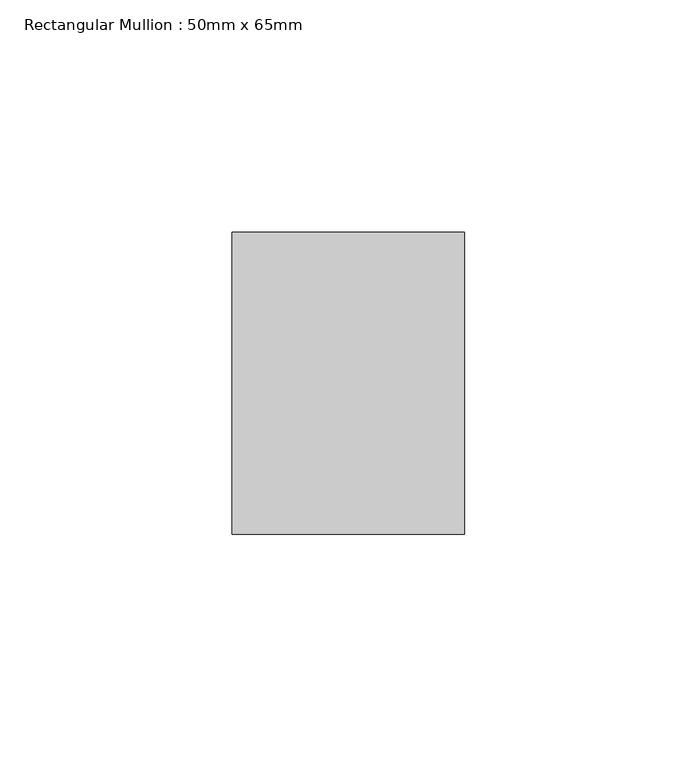
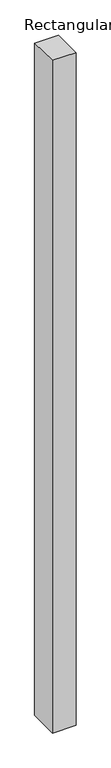
"""IFC4 building model written with IfcOpenShell, lengths in millimetres: member geometry, Rectangular Mullion : 50mm x 65mm."""

from ifc_helpers import new_model, si_unit, origin, place, context, project, spatial, faceted_brep, source, transform, mapped, element, save


def rectangular_mullion_50mm_x_65mm_18eefe54(model_context):
    return source(origin(), model_context, "Body", "Brep", [
        faceted_brep([(-25.0, 32.5, -0.4966773), (25.0, 32.5, -0.4966782), (25.0, 32.5, -1499.5923987), (-25.0, 32.5, -1499.5923994), (-25.0, -32.5, 0.4966782), (-25.0, -32.5, -1500.4070515), (25.0, -32.5, 0.4966773), (25.0, -32.5, -1500.4070508)], [[[0, 1, 2, 3]], [[4, 0, 3, 5]], [[6, 4, 5, 7]], [[1, 6, 7, 2]], [[1, 0, 4, 6]], [[2, 7, 5, 3]]]),
    ])


if __name__ == "__main__":
    model = new_model("IFC4")
    model_context = context("Model", 3, world=origin())
    ifc_project = project(units=[si_unit("LENGTHUNIT", "METRE", prefix="MILLI")], contexts=[model_context])
    site = spatial("IfcSite", under=ifc_project)
    building = spatial("IfcBuilding", under=site)
    placement = place(None, origin())
    rectangular_mullion_50mm_x_65mm_shape = rectangular_mullion_50mm_x_65mm_18eefe54(model_context)
    element("IfcMember", 1, ObjectType="Rectangular Mullion : 50mm x 65mm", at=placement, inside=building, context=model_context, shape_type="MappedRepresentation", body=[
        mapped(rectangular_mullion_50mm_x_65mm_shape, transform((0.0, 0.0, 0.0), x_axis=(1.0, 0.0, 0.0), y_axis=(0.0, 1.0, 0.0), z_axis=(0.0, 0.0, 1.0))),
    ])
    save(model, "model.ifc")
